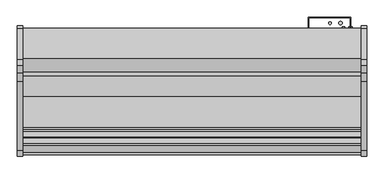
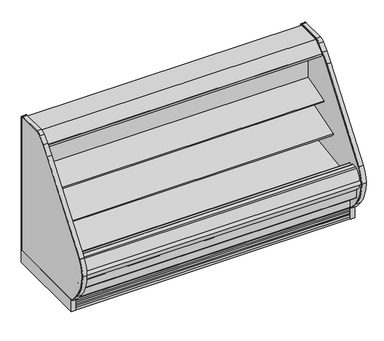
"""IFC4 building model written with IfcOpenShell, lengths in millimetres: proxy geometry."""

from ifc_helpers import new_model, si_unit, point, frame, frame_2d, origin, origin_with_axes, place, context, project, spatial, polyline, circle_curve, trimmed, segment, composite_curve, outline, extrude, source, transform, mapped, element, save
from ifc_brep_helpers import plane_surface, cylinder_surface, revolved_surface, advanced_brep


def mechanical_equipment_847d66b7(model_context):
    return source(origin(), model_context, "Body", "SolidModel", [
        extrude(outline(composite_curve([segment(polyline([(-514.5184043, 1280.7980838), (-504.8108903, 1283.7963787), (-504.5441858, 1282.9328752), (-503.4770145, 1282.9328752), (-503.4770145, 1189.1685435), (-528.7722287, 1185.6157473)]), True, "CONTINUOUS"), segment(trimmed(circle_curve(frame_2d((-528.9121117, 1187.1894225)), 1.57988), [point((-528.7722287, 1185.6157473))], [point((-530.4766164, 1186.9695457))], False, "CARTESIAN"), True, "CONTINUOUS"), segment(polyline([(-530.4766164, 1186.9695457), (-531.3614261, 1193.2652938), (-530.5766584, 1193.3755857), (-529.5822638, 1186.3001005), (-506.0015054, 1189.61416), (-520.0975442, 1289.912687), (-542.8581255, 1286.8903314)]), True, "CONTINUOUS"), segment(trimmed(circle_curve(frame_2d((-542.7544773, 1286.109783)), 0.7874), [point((-542.8581255, 1286.8903314))], [point((-543.5350257, 1286.0061347))], True, "CARTESIAN"), True, "CONTINUOUS"), segment(polyline([(-543.5350257, 1286.0061347), (-542.5119167, 1278.3013646), (-543.2924653, 1278.1977184), (-544.3155741, 1285.9024865)]), True, "CONTINUOUS"), segment(trimmed(circle_curve(frame_2d((-542.7544773, 1286.109783)), 1.5748), [point((-544.3155741, 1285.9024865))], [point((-542.9617738, 1287.6708798))], False, "CARTESIAN"), True, "CONTINUOUS"), segment(polyline([(-542.9617738, 1287.6708798), (-518.9973626, 1290.8530909)]), True, "CONTINUOUS"), segment(trimmed(circle_curve(frame_2d((-518.7900661, 1289.2919941)), 1.5748), [point((-518.9973626, 1290.8530909))], [point((-517.2854014, 1289.7567298))], False, "CARTESIAN"), True, "CONTINUOUS"), segment(polyline([(-517.2854014, 1289.7567298), (-514.5184043, 1280.7980838)]), True, "CONTINUOUS")], self_intersect=False)), frame((0.0, 0.0, 0.0), z_axis=(1.0, 0.0, 0.0), x_axis=(0.0, 1.0, 0.0)), (0.0, 0.0, 1.0), 2438.4),
        extrude(outline(polyline([(-401.5089273, 1362.075), (-401.5089273, 1315.6470648), (-452.3089273, 1315.6470648), (-452.3089273, 1282.9328752), (-504.5441858, 1282.9328752), (-506.6234348, 1289.6648143), (-511.417881, 1288.1839857), (-535.4879211, 1316.8695425), (-642.2562389, 1316.8695425), (-643.0944389, 1316.0313425), (-643.0944389, 1304.9061425), (-643.6525285, 1303.7273324), (-688.2903714, 1267.1513324), (-689.2562818, 1266.8061425), (-700.752905, 1266.8061425), (-700.752905, 1264.8743669), (-715.8669232, 1264.8743669), (-715.8669232, 1283.1433169), (-715.2737617, 1284.3869059), (-619.3369552, 1362.075), (-401.5089273, 1362.075)])), frame((0.0, 0.0, 0.0), z_axis=(1.0, 0.0, 0.0), x_axis=(0.0, 1.0, 0.0)), (0.0, 0.0, 1.0), 2438.4),
        extrude(outline(composite_curve([segment(polyline([(-506.0015054, 1189.61416), (-529.5822638, 1186.3001005), (-530.5766584, 1193.3755857), (-542.5070926, 1278.2650359), (-543.5350257, 1286.0061347)]), True, "CONTINUOUS"), segment(trimmed(circle_curve(frame_2d((-542.7544773, 1286.109783)), 0.7874), [point((-543.5350257, 1286.0061347))], [point((-542.8581255, 1286.8903314))], False, "CARTESIAN"), True, "CONTINUOUS"), segment(polyline([(-542.8581255, 1286.8903314), (-520.0975442, 1289.912687), (-506.0015054, 1189.61416)]), True, "CONTINUOUS")], self_intersect=False)), frame((0.0, 0.0, 0.0), z_axis=(1.0, 0.0, 0.0), x_axis=(0.0, 1.0, 0.0)), (0.0, 0.0, 1.0), 2438.4),
        extrude(outline(composite_curve([segment(trimmed(circle_curve(frame_2d((-586.8315353, 1290.8268376)), 14.2875), [point((-601.1190353, 1290.8268376))], [point((-572.5440353, 1290.8268376))], False, "CARTESIAN"), True, "CONTINUOUS"), segment(trimmed(circle_curve(frame_2d((-586.8315353, 1290.8268376)), 14.2875), [point((-572.5440353, 1290.8268376))], [point((-601.1190353, 1290.8268376))], False, "CARTESIAN"), True, "CONTINUOUS")], self_intersect=False)), frame((0.0, 0.0, 0.0), z_axis=(1.0, 0.0, 0.0), x_axis=(0.0, 1.0, 0.0)), (0.0, 0.0, 1.0), 2438.4),
        extrude(outline(composite_curve([segment(trimmed(circle_curve(frame_2d((-624.2203353, 1290.8268376)), 14.2875), [point((-638.5078353, 1290.8268376))], [point((-609.9328353, 1290.8268376))], False, "CARTESIAN"), True, "CONTINUOUS"), segment(trimmed(circle_curve(frame_2d((-624.2203353, 1290.8268376)), 14.2875), [point((-609.9328353, 1290.8268376))], [point((-638.5078353, 1290.8268376))], False, "CARTESIAN"), True, "CONTINUOUS")], self_intersect=False)), frame((0.0, 0.0, 0.0), z_axis=(1.0, 0.0, 0.0), x_axis=(0.0, 1.0, 0.0)), (0.0, 0.0, 1.0), 2438.4),
        extrude(outline(composite_curve([segment(polyline([(-1152.4160029, 116.4176483), (-1152.4160029, 109.8489673)]), True, "CONTINUOUS"), segment(trimmed(circle_curve(frame_2d((-1137.0029315, 171.45)), 63.5), [point((-1152.4160029, 109.8489673))], [point((-1185.6467537, 130.6329868))], False, "CARTESIAN"), True, "CONTINUOUS"), segment(polyline([(-1185.6467537, 130.6329868), (-1235.6359944, 190.2078441)]), True, "CONTINUOUS"), segment(trimmed(circle_curve(frame_2d((-941.4801647, 437.0338923)), 383.9931644), [point((-1235.6359944, 190.2078441))], [point((-1325.4388699, 431.8896718))], False, "CARTESIAN"), True, "CONTINUOUS"), segment(trimmed(circle_curve(frame_2d((-1076.0701893, 427.3006938)), 249.410901), [point((-1325.4388699, 431.8896718))], [point((-1281.6253076, 568.555396))], False, "CARTESIAN"), True, "CONTINUOUS"), segment(trimmed(circle_curve(frame_2d((-1267.5211401, 561.2160445)), 15.8994849), [point((-1281.6253076, 568.555396))], [point((-1280.2425143, 570.7533533))], False, "CARTESIAN"), True, "CONTINUOUS"), segment(polyline([(-1280.2425143, 570.7533533), (-784.9351025, 1231.4209529)]), True, "CONTINUOUS"), segment(trimmed(circle_curve(frame_2d((-245.5130426, 827.0122237)), 674.1828973), [point((-784.9351025, 1231.4209529))], [point((-722.232341, 1303.7315221))], False, "CARTESIAN"), True, "CONTINUOUS"), segment(polyline([(-722.232341, 1303.7315221), (-669.2351533, 1356.7287098)]), True, "CONTINUOUS"), segment(trimmed(circle_curve(frame_2d((-625.6675547, 1313.1611112)), 61.6138888), [point((-669.2351533, 1356.7287098))], [point((-625.6675547, 1374.775))], False, "CARTESIAN"), True, "CONTINUOUS"), segment(polyline([(-625.6675547, 1374.775), (-403.2506698, 1374.775)]), True, "CONTINUOUS"), segment(trimmed(circle_curve(frame_2d((-403.2506698, 1357.1582575)), 17.6167425), [point((-403.2506698, 1374.775))], [point((-385.6339273, 1357.1582575))], False, "CARTESIAN"), True, "CONTINUOUS"), segment(polyline([(-385.6339273, 1357.1582575), (-385.6339273, 114.3), (-391.9839273, 114.3), (-391.9839273, 1357.1582575)]), True, "CONTINUOUS"), segment(trimmed(circle_curve(frame_2d((-403.2506698, 1357.1582575)), 11.2667425), [point((-391.9839273, 1357.1582575))], [point((-403.2506698, 1368.425))], True, "CARTESIAN"), True, "CONTINUOUS"), segment(polyline([(-403.2506698, 1368.425), (-625.6675547, 1368.425)]), True, "CONTINUOUS"), segment(trimmed(circle_curve(frame_2d((-625.6675547, 1313.1611112)), 55.2638888), [point((-625.6675547, 1368.425))], [point((-664.7450253, 1352.2385817))], True, "CARTESIAN"), True, "CONTINUOUS"), segment(polyline([(-664.7450253, 1352.2385817), (-717.7422129, 1299.2413941)]), True, "CONTINUOUS"), segment(trimmed(circle_curve(frame_2d((-245.5130426, 827.0122237)), 667.8328973), [point((-717.7422129, 1299.2413941))], [point((-779.8543891, 1227.6119043))], True, "CARTESIAN"), True, "CONTINUOUS"), segment(polyline([(-779.8543891, 1227.6119043), (-1275.1618009, 566.9443047)]), True, "CONTINUOUS"), segment(trimmed(circle_curve(frame_2d((-1267.5211401, 561.2160445)), 9.5494849), [point((-1275.1618009, 566.9443047))], [point((-1276.1447735, 565.3179477))], True, "CARTESIAN"), True, "CONTINUOUS"), segment(trimmed(circle_curve(frame_2d((-1076.0701893, 427.3006938)), 243.060901), [point((-1276.1447735, 565.3179477))], [point((-1319.0880705, 431.8735543))], True, "CARTESIAN"), True, "CONTINUOUS"), segment(trimmed(circle_curve(frame_2d((-941.4801647, 437.0338923)), 377.6431644), [point((-1319.0880705, 431.8735543))], [point((-1230.7716122, 194.2895454))], True, "CARTESIAN"), True, "CONTINUOUS"), segment(polyline([(-1230.7716122, 194.2895454), (-1180.7823715, 134.7146881)]), True, "CONTINUOUS"), segment(trimmed(circle_curve(frame_2d((-1137.0029315, 171.45)), 57.15), [point((-1180.7823715, 134.7146881))], [point((-1152.4160029, 116.4176483))], True, "CARTESIAN"), True, "CONTINUOUS")], self_intersect=False)), frame((2438.4, 0.0, 0.0), z_axis=(1.0, 0.0, 0.0), x_axis=(0.0, 1.0, 0.0)), (0.0, 0.0, 1.0), 38.1),
        extrude(outline(composite_curve([segment(trimmed(circle_curve(frame_2d((-1137.0029315, 171.45)), 57.15), [point((-1152.4160029, 116.4176483))], [point((-1180.7823715, 134.7146881))], False, "CARTESIAN"), True, "CONTINUOUS"), segment(polyline([(-1180.7823715, 134.7146881), (-1230.7716122, 194.2895454)]), True, "CONTINUOUS"), segment(trimmed(circle_curve(frame_2d((-941.4801647, 437.0338923)), 377.6431644), [point((-1230.7716122, 194.2895454))], [point((-1319.0880705, 431.8735543))], False, "CARTESIAN"), True, "CONTINUOUS"), segment(trimmed(circle_curve(frame_2d((-1076.0701893, 427.3006938)), 243.060901), [point((-1319.0880705, 431.8735543))], [point((-1270.5462172, 573.1008179))], False, "CARTESIAN"), True, "CONTINUOUS"), segment(polyline([(-1270.5462172, 573.1008179), (-779.8543891, 1227.6119043)]), True, "CONTINUOUS"), segment(trimmed(circle_curve(frame_2d((-245.5130426, 827.0122237)), 667.8328973), [point((-779.8543891, 1227.6119043))], [point((-717.7422129, 1299.2413941))], False, "CARTESIAN"), True, "CONTINUOUS"), segment(polyline([(-717.7422129, 1299.2413941), (-664.7450253, 1352.2385817)]), True, "CONTINUOUS"), segment(trimmed(circle_curve(frame_2d((-625.6675547, 1313.1611112)), 55.2638888), [point((-664.7450253, 1352.2385817))], [point((-625.6675547, 1368.425))], False, "CARTESIAN"), True, "CONTINUOUS"), segment(polyline([(-625.6675547, 1368.425), (-403.2506698, 1368.425)]), True, "CONTINUOUS"), segment(trimmed(circle_curve(frame_2d((-403.2506698, 1357.1582575)), 11.2667425), [point((-403.2506698, 1368.425))], [point((-391.9839273, 1357.1582575))], False, "CARTESIAN"), True, "CONTINUOUS"), segment(polyline([(-391.9839273, 1357.1582575), (-391.9839273, 114.3), (-1152.4160029, 114.3), (-1152.4160029, 116.4176483)]), True, "CONTINUOUS")], self_intersect=False)), frame((2438.4, 0.0, 0.0), z_axis=(1.0, 0.0, 0.0), x_axis=(0.0, 1.0, 0.0)), (0.0, 0.0, 1.0), 38.1),
        extrude(outline(polyline([(2476.5, -385.6339273), (2476.5, -1152.4160029), (2438.4, -1152.4160029), (2438.4, -385.6339273), (2476.5, -385.6339273)])), origin_with_axes(), (0.0, 0.0, 1.0), 114.3),
        extrude(outline(composite_curve([segment(trimmed(circle_curve(frame_2d((-1295.6519401, 432.0003811)), 17.0866011), [point((-1296.4879309, 414.9342433))], [point((-1296.7411816, 449.0522282))], False, "CARTESIAN"), True, "CONTINUOUS"), segment(trimmed(circle_curve(frame_2d((-1124.8312387, 403.6702581)), 177.7991891), [point((-1296.7411816, 449.0522282))], [point((-1298.0862131, 443.6110334))], True, "CARTESIAN"), True, "CONTINUOUS"), segment(trimmed(circle_curve(frame_2d((-1171.2742697, 436.2958797)), 127.0227557), [point((-1298.0862131, 443.6110334))], [point((-1296.4879309, 414.9342433))], True, "CARTESIAN"), True, "CONTINUOUS")], self_intersect=False)), frame((0.0, 0.0, 0.0), z_axis=(1.0, 0.0, 0.0), x_axis=(0.0, 1.0, 0.0)), (0.0, 0.0, 1.0), 2438.4),
        extrude(outline(composite_curve([segment(trimmed(circle_curve(frame_2d((2278.6362287, -1007.9339273)), 12.7), [point((2265.9362287, -1007.9339273))], [point((2291.3362287, -1007.9339273))], False, "CARTESIAN"), True, "CONTINUOUS"), segment(trimmed(circle_curve(frame_2d((2278.6362287, -1007.9339273)), 12.7), [point((2291.3362287, -1007.9339273))], [point((2265.9362287, -1007.9339273))], False, "CARTESIAN"), True, "CONTINUOUS")], self_intersect=False)), frame((0.0, 0.0, 68.5310382), z_axis=(0.0, 0.0, 1.0), x_axis=(1.0, 0.0, 0.0)), (0.0, 0.0, 1.0), 52.7807458),
        extrude(outline(composite_curve([segment(trimmed(circle_curve(frame_2d((2228.43831, -1007.9339273)), 9.525), [point((2218.91331, -1007.9339273))], [point((2237.96331, -1007.9339273))], False, "CARTESIAN"), True, "CONTINUOUS"), segment(trimmed(circle_curve(frame_2d((2228.43831, -1007.9339273)), 9.525), [point((2237.96331, -1007.9339273))], [point((2218.91331, -1007.9339273))], False, "CARTESIAN"), True, "CONTINUOUS")], self_intersect=False)), frame((0.0, 0.0, 68.5310382), z_axis=(0.0, 0.0, 1.0), x_axis=(1.0, 0.0, 0.0)), (0.0, 0.0, 1.0), 52.7807458),
        extrude(outline(polyline([(0.0, -385.6339273), (0.0, -1152.4160029), (-38.1, -1152.4160029), (-38.1, -385.6339273), (0.0, -385.6339273)])), origin_with_axes(), (0.0, 0.0, 1.0), 114.3),
        extrude(outline(composite_curve([segment(polyline([(-1152.4160029, 116.4176483), (-1152.4160029, 109.8489673)]), True, "CONTINUOUS"), segment(trimmed(circle_curve(frame_2d((-1137.0029315, 171.45)), 63.5), [point((-1152.4160029, 109.8489673))], [point((-1185.6467537, 130.6329868))], False, "CARTESIAN"), True, "CONTINUOUS"), segment(polyline([(-1185.6467537, 130.6329868), (-1235.6359944, 190.2078441)]), True, "CONTINUOUS"), segment(trimmed(circle_curve(frame_2d((-941.4801647, 437.0338923)), 383.9931644), [point((-1235.6359944, 190.2078441))], [point((-1325.4388699, 431.8896718))], False, "CARTESIAN"), True, "CONTINUOUS"), segment(trimmed(circle_curve(frame_2d((-1076.0701893, 427.3006938)), 249.410901), [point((-1325.4388699, 431.8896718))], [point((-1281.6253076, 568.555396))], False, "CARTESIAN"), True, "CONTINUOUS"), segment(trimmed(circle_curve(frame_2d((-1267.5211401, 561.2160445)), 15.8994849), [point((-1281.6253076, 568.555396))], [point((-1280.2425143, 570.7533533))], False, "CARTESIAN"), True, "CONTINUOUS"), segment(polyline([(-1280.2425143, 570.7533533), (-784.9351025, 1231.4209529)]), True, "CONTINUOUS"), segment(trimmed(circle_curve(frame_2d((-245.5130426, 827.0122237)), 674.1828973), [point((-784.9351025, 1231.4209529))], [point((-722.232341, 1303.7315221))], False, "CARTESIAN"), True, "CONTINUOUS"), segment(polyline([(-722.232341, 1303.7315221), (-669.2351533, 1356.7287098)]), True, "CONTINUOUS"), segment(trimmed(circle_curve(frame_2d((-625.6675547, 1313.1611112)), 61.6138888), [point((-669.2351533, 1356.7287098))], [point((-625.6675547, 1374.775))], False, "CARTESIAN"), True, "CONTINUOUS"), segment(polyline([(-625.6675547, 1374.775), (-403.2506698, 1374.775)]), True, "CONTINUOUS"), segment(trimmed(circle_curve(frame_2d((-403.2506698, 1357.1582575)), 17.6167425), [point((-403.2506698, 1374.775))], [point((-385.6339273, 1357.1582575))], False, "CARTESIAN"), True, "CONTINUOUS"), segment(polyline([(-385.6339273, 1357.1582575), (-385.6339273, 114.3), (-391.9839273, 114.3), (-391.9839273, 1357.1582575)]), True, "CONTINUOUS"), segment(trimmed(circle_curve(frame_2d((-403.2506698, 1357.1582575)), 11.2667425), [point((-391.9839273, 1357.1582575))], [point((-403.2506698, 1368.425))], True, "CARTESIAN"), True, "CONTINUOUS"), segment(polyline([(-403.2506698, 1368.425), (-625.6675547, 1368.425)]), True, "CONTINUOUS"), segment(trimmed(circle_curve(frame_2d((-625.6675547, 1313.1611112)), 55.2638888), [point((-625.6675547, 1368.425))], [point((-664.7450253, 1352.2385817))], True, "CARTESIAN"), True, "CONTINUOUS"), segment(polyline([(-664.7450253, 1352.2385817), (-717.7422129, 1299.2413941)]), True, "CONTINUOUS"), segment(trimmed(circle_curve(frame_2d((-245.5130426, 827.0122237)), 667.8328973), [point((-717.7422129, 1299.2413941))], [point((-779.8543891, 1227.6119043))], True, "CARTESIAN"), True, "CONTINUOUS"), segment(polyline([(-779.8543891, 1227.6119043), (-1270.5462172, 573.1008179)]), True, "CONTINUOUS"), segment(trimmed(circle_curve(frame_2d((-1076.0701893, 427.3006938)), 243.060901), [point((-1270.5462172, 573.1008179))], [point((-1319.0880705, 431.8735543))], True, "CARTESIAN"), True, "CONTINUOUS"), segment(trimmed(circle_curve(frame_2d((-941.4801647, 437.0338923)), 377.6431644), [point((-1319.0880705, 431.8735543))], [point((-1230.7716122, 194.2895454))], True, "CARTESIAN"), True, "CONTINUOUS"), segment(polyline([(-1230.7716122, 194.2895454), (-1180.7823715, 134.7146881)]), True, "CONTINUOUS"), segment(trimmed(circle_curve(frame_2d((-1137.0029315, 171.45)), 57.15), [point((-1180.7823715, 134.7146881))], [point((-1152.4160029, 116.4176483))], True, "CARTESIAN"), True, "CONTINUOUS")], self_intersect=False)), frame((-38.1, 0.0, 0.0), z_axis=(1.0, 0.0, 0.0), x_axis=(0.0, 1.0, 0.0)), (0.0, 0.0, 1.0), 38.1),
        extrude(outline(composite_curve([segment(trimmed(circle_curve(frame_2d((-1137.0029315, 171.45)), 57.15), [point((-1152.4160029, 116.4176483))], [point((-1180.7823715, 134.7146881))], False, "CARTESIAN"), True, "CONTINUOUS"), segment(polyline([(-1180.7823715, 134.7146881), (-1230.7716122, 194.2895454)]), True, "CONTINUOUS"), segment(trimmed(circle_curve(frame_2d((-941.4801647, 437.0338923)), 377.6431644), [point((-1230.7716122, 194.2895454))], [point((-1319.0880705, 431.8735543))], False, "CARTESIAN"), True, "CONTINUOUS"), segment(trimmed(circle_curve(frame_2d((-1076.0701893, 427.3006938)), 243.060901), [point((-1319.0880705, 431.8735543))], [point((-1270.5462172, 573.1008179))], False, "CARTESIAN"), True, "CONTINUOUS"), segment(polyline([(-1270.5462172, 573.1008179), (-779.8543891, 1227.6119043)]), True, "CONTINUOUS"), segment(trimmed(circle_curve(frame_2d((-245.5130426, 827.0122237)), 667.8328973), [point((-779.8543891, 1227.6119043))], [point((-717.7422129, 1299.2413941))], False, "CARTESIAN"), True, "CONTINUOUS"), segment(polyline([(-717.7422129, 1299.2413941), (-664.7450253, 1352.2385817)]), True, "CONTINUOUS"), segment(trimmed(circle_curve(frame_2d((-625.6675547, 1313.1611112)), 55.2638888), [point((-664.7450253, 1352.2385817))], [point((-625.6675547, 1368.425))], False, "CARTESIAN"), True, "CONTINUOUS"), segment(polyline([(-625.6675547, 1368.425), (-403.2506698, 1368.425)]), True, "CONTINUOUS"), segment(trimmed(circle_curve(frame_2d((-403.2506698, 1357.1582575)), 11.2667425), [point((-403.2506698, 1368.425))], [point((-391.9839273, 1357.1582575))], False, "CARTESIAN"), True, "CONTINUOUS"), segment(polyline([(-391.9839273, 1357.1582575), (-391.9839273, 114.3), (-1152.4160029, 114.3), (-1152.4160029, 116.4176483)]), True, "CONTINUOUS")], self_intersect=False)), frame((-38.1, 0.0, 0.0), z_axis=(1.0, 0.0, 0.0), x_axis=(0.0, 1.0, 0.0)), (0.0, 0.0, 1.0), 38.1),
        extrude(outline(polyline([(2359.025, -401.5089273), (2359.025, -328.4839273), (2060.575, -328.4839273), (2060.575, -401.5089273), (2057.4, -401.5089273), (2057.4, -325.3089273), (2362.2, -325.3089273), (2362.2, -401.5089273), (2359.025, -401.5089273)])), frame((0.0, 0.0, 522.6122796), z_axis=(0.0, 0.0, 1.0), x_axis=(1.0, 0.0, 0.0)), (0.0, 0.0, 1.0), 710.3489092),
        advanced_brep(
        [(0.0, -401.5089273, 1315.6470648), (0.0, -401.5089273, 130.175), (0.0, -1092.9329421, 130.175), (0.0, -1242.6779256, 255.8259604), (0.0, -1242.6779256, 390.4771975), (0.0, -1191.6695874, 390.4771975), (0.0, -1191.6695874, 280.6965658), (0.0, -1081.6882807, 188.4112919), (0.0, -1075.5167374, 188.6268069), (0.0, -1036.8125365, 160.6272219), (0.0, -1035.5745571, 160.670453), (0.0, -1022.2030531, 151.6562137), (0.0, -961.9148015, 153.7615258), (0.0, -949.2046713, 163.6865559), (0.0, -947.966692, 163.7297871), (0.0, -911.2586215, 194.4039054), (0.0, -452.3089273, 210.4307819), (0.0, -452.3089273, 1315.6470648), (2438.4, -401.5089273, 1315.6470648), (2438.4, -452.3089273, 1315.6470648), (2438.4, -452.3089273, 210.4307819), (2438.4, -911.2586215, 194.4039054), (2438.4, -947.966692, 163.7297871), (2438.4, -949.2046713, 163.6865559), (2438.4, -961.9148015, 153.7615258), (2438.4, -1022.2030531, 151.6562137), (2438.4, -1035.5745571, 160.670453), (2438.4, -1036.8125365, 160.6272219), (2438.4, -1075.5167374, 188.6268069), (2438.4, -1081.6882807, 188.4112919), (2438.4, -1191.6695874, 280.6965658), (2438.4, -1191.6695874, 390.4771975), (2438.4, -1242.6779256, 390.4771975), (2438.4, -1242.6779256, 255.8259604), (2438.4, -1092.9329421, 130.175), (2438.4, -401.5089273, 130.175), (2336.8, -401.5089273, 368.3), (2336.8, -401.5089273, 266.7), (2336.8, -446.7209273, 266.7), (2336.8, -446.7209273, 368.3)],
        [
            (0, 1),
            (1, 2),
            (2, 3),
            (3, 4),
            (4, 5),
            (5, 6),
            (6, 7),
            (7, 8),
            (8, 9),
            (9, 10),
            (10, 11),
            (11, 12),
            (12, 13),
            (13, 14),
            (14, 15),
            (15, 16),
            (16, 17),
            (17, 0),
            (18, 19),
            (19, 20),
            (20, 21),
            (21, 22),
            (22, 23),
            (23, 24),
            (24, 25),
            (25, 26),
            (26, 27),
            (27, 28),
            (28, 29),
            (29, 30),
            (30, 31),
            (31, 32),
            (32, 33),
            (33, 34),
            (34, 35),
            (35, 18),
            (17, 19),
            (18, 0),
            (16, 20),
            (1, 35),
            (34, 2),
            (36, 37, circle_curve(frame((2336.8, -401.5089273, 317.5), z_axis=(0.0, -1.0, 0.0), x_axis=(0.0, 0.0, 1.0)), 50.8)),
            (37, 36, circle_curve(frame((2336.8, -401.5089273, 317.5), z_axis=(0.0, -1.0, 0.0), x_axis=(0.0, 0.0, 1.0)), 50.8)),
            (38, 39, circle_curve(frame((2336.8, -446.7209273, 317.5), z_axis=(0.0, 1.0, 0.0), x_axis=(0.0, 0.0, 1.0)), 50.8)),
            (39, 38, circle_curve(frame((2336.8, -446.7209273, 317.5), z_axis=(0.0, 1.0, 0.0), x_axis=(0.0, 0.0, 1.0)), 50.8)),
            (38, 37),
            (36, 39),
            (15, 21),
            (14, 22),
            (13, 23),
            (12, 24),
            (11, 25),
            (10, 26),
            (9, 27),
            (8, 28),
            (7, 29),
            (6, 30),
            (5, 31),
            (4, 32),
            (3, 33),
        ],
        [
            plane_surface(frame((0.0, -452.3089273, 1315.6470648), z_axis=(-1.0, 0.0, 0.0), x_axis=(0.0, 1.0, 0.0))),
            plane_surface(frame((2438.4, -452.3089273, 1315.6470648), z_axis=(1.0, 0.0, 0.0), x_axis=(0.0, -1.0, 0.0))),
            plane_surface(frame((2438.4, -401.5089273, 1315.6470648), z_axis=(0.0, 0.0, 1.0), x_axis=(-1.0, 0.0, 0.0))),
            plane_surface(frame((2438.4, -452.3089273, 1315.6470648), z_axis=(0.0, -1.0, 0.0), x_axis=(-1.0, 0.0, 0.0))),
            plane_surface(frame((2438.4, -1092.9329421, 130.175), z_axis=(0.0, 0.0, -1.0), x_axis=(-1.0, 0.0, 0.0))),
            plane_surface(frame((2438.4, -401.5089273, 130.175), z_axis=(0.0, 1.0, 0.0), x_axis=(-1.0, 0.0, 0.0))),
            plane_surface(frame((2336.8, -446.7209273, 368.3), z_axis=(0.0, 1.0, 0.0), x_axis=(-1.0, 0.0, 0.0))),
            revolved_surface(polyline([(2336.8, -401.5089273, 368.3), (2336.8, -446.7209273, 368.3)]), (2336.8, -446.7209273, 317.5), (0.0, 1.0, 0.0)),
            plane_surface(frame((2438.4, -452.3089273, 210.4307819), z_axis=(0.0, -0.034899496702464096, 0.9993908270190971), x_axis=(-1.0, 0.0, 0.0))),
            plane_surface(frame((2438.4, -911.2586215, 194.4039054), z_axis=(0.0, -0.6412208566386186, 0.7673563794037528), x_axis=(-1.0, 0.0, 0.0))),
            plane_surface(frame((2438.4, -947.966692, 163.7297871), z_axis=(0.0, -0.03489949670032392, 0.9993908270191718), x_axis=(-1.0, 0.0, 0.0))),
            plane_surface(frame((2438.4, -949.2046713, 163.6865559), z_axis=(0.0, -0.6154607629252682, 0.7881675261639793), x_axis=(-1.0, 0.0, 0.0))),
            plane_surface(frame((2438.4, -961.9148015, 153.7615258), z_axis=(0.0, -0.03489949670245096, 0.9993908270190975), x_axis=(-1.0, 0.0, 0.0))),
            plane_surface(frame((2438.4, -1022.2030531, 151.6562137), z_axis=(0.0, 0.5589817440968015, 0.8291799622316606), x_axis=(-1.0, 0.0, 0.0))),
            plane_surface(frame((2438.4, -1035.5745571, 160.670453), z_axis=(0.0, -0.03489949670146529, 0.999390827019132), x_axis=(-1.0, 0.0, 0.0))),
            plane_surface(frame((2438.4, -1036.8125365, 160.6272219), z_axis=(0.0, 0.5861307997256017, 0.810216443682197), x_axis=(-1.0, 0.0, 0.0))),
            plane_surface(frame((2438.4, -1075.5167374, 188.6268069), z_axis=(0.0, -0.034899496703538944, 0.9993908270190596), x_axis=(-1.0, 0.0, 0.0))),
            plane_surface(frame((2438.4, -1081.6882807, 188.4112919), z_axis=(0.0, 0.6427876096870883, 0.7660444431185175), x_axis=(-1.0, 0.0, 0.0))),
            plane_surface(frame((2438.4, -1191.6695874, 280.6965658), z_axis=(0.0, 1.0, 0.0), x_axis=(-1.0, 0.0, 0.0))),
            plane_surface(frame((2438.4, -1191.6695874, 390.4771975), z_axis=(0.0, 0.0, 1.0), x_axis=(-1.0, 0.0, 0.0))),
            plane_surface(frame((2438.4, -1242.6779256, 390.4771975), z_axis=(0.0, -1.0, 0.0), x_axis=(-1.0, 0.0, 0.0))),
            plane_surface(frame((2438.4, -1242.6779256, 255.8259604), z_axis=(0.0, -0.6427876096870784, -0.7660444431185257), x_axis=(-1.0, 0.0, 0.0))),
        ],
        [
            (0, [[1, 2, 3, 4, 5, 6, 7, 8, 9, 10, 11, 12, 13, 14, 15, 16, 17, 18]]),
            (1, [[19, 20, 21, 22, 23, 24, 25, 26, 27, 28, 29, 30, 31, 32, 33, 34, 35, 36]]),
            (2, [[-18, 37, -19, 38]]),
            (3, [[-17, 39, -20, -37]]),
            (4, [[-2, 40, -35, 41]]),
            (5, [[-1, -38, -36, -40], [42, 43]]),
            (6, [[44, 45]]),
            (7, [[-44, 46, -42, 47]]),
            (7, [[-45, -47, -43, -46]]),
            (8, [[-16, 48, -21, -39]]),
            (9, [[-15, 49, -22, -48]]),
            (10, [[-14, 50, -23, -49]]),
            (11, [[-13, 51, -24, -50]]),
            (12, [[-12, 52, -25, -51]]),
            (13, [[-11, 53, -26, -52]]),
            (14, [[-10, 54, -27, -53]]),
            (15, [[-9, 55, -28, -54]]),
            (16, [[-8, 56, -29, -55]]),
            (17, [[-7, 57, -30, -56]]),
            (18, [[-6, 58, -31, -57]]),
            (19, [[-5, 59, -32, -58]]),
            (20, [[-4, 60, -33, -59]]),
            (21, [[-3, -41, -34, -60]]),
        ],
    ),
        extrude(outline(composite_curve([segment(polyline([(-503.4770145, 937.5443045), (-503.4770145, 859.0243135), (-520.8520366, 853.3874898)]), True, "CONTINUOUS"), segment(trimmed(circle_curve(frame_2d((-528.6901714, 877.5478632)), 25.4), [point((-520.8520366, 853.3874898))], [point((-538.1963728, 853.9938373))], False, "CARTESIAN"), True, "CONTINUOUS"), segment(polyline([(-538.1963728, 853.9938373), (-559.4917706, 862.5884758)]), True, "CONTINUOUS"), segment(trimmed(circle_curve(frame_2d((-583.257274, 803.7034111)), 63.5), [point((-559.4917706, 862.5884758))], [point((-594.1259367, 866.2663568))], True, "CARTESIAN"), True, "CONTINUOUS"), segment(polyline([(-594.1259367, 866.2663568), (-683.313755, 863.7788055), (-685.7433991, 866.6337458), (-742.2197274, 849.3671994), (-746.4657163, 863.2552031), (-503.4770145, 937.5443045)]), True, "CONTINUOUS")], self_intersect=False)), frame((0.0, 0.0, 0.0), z_axis=(1.0, 0.0, 0.0), x_axis=(0.0, 1.0, 0.0)), (0.0, 0.0, 1.0), 2438.4),
        extrude(outline(composite_curve([segment(polyline([(-503.4770145, 681.5615222), (-521.9044919, 675.5832597)]), True, "CONTINUOUS"), segment(trimmed(circle_curve(frame_2d((-528.6901714, 700.0600764)), 25.4), [point((-521.9044919, 675.5832597))], [point((-538.1963728, 676.5060505))], False, "CARTESIAN"), True, "CONTINUOUS"), segment(polyline([(-538.1963728, 676.5060505), (-559.4917706, 685.1006891)]), True, "CONTINUOUS"), segment(trimmed(circle_curve(frame_2d((-583.257274, 626.2156243)), 63.5), [point((-559.4917706, 685.1006891))], [point((-594.1259367, 688.77857))], True, "CARTESIAN"), True, "CONTINUOUS"), segment(polyline([(-594.1259367, 688.77857), (-829.0545998, 641.733571), (-831.4842439, 644.5885112), (-887.9605722, 627.3219649), (-892.1192674, 640.9244437), (-503.4770145, 759.7443045), (-503.4770145, 681.5615222)]), True, "CONTINUOUS")], self_intersect=False)), frame((0.0, 0.0, 0.0), z_axis=(1.0, 0.0, 0.0), x_axis=(0.0, 1.0, 0.0)), (0.0, 0.0, 1.0), 2438.4),
        extrude(outline(composite_curve([segment(polyline([(-1234.580957, 539.75), (-1192.162957, 539.75)]), True, "CONTINUOUS"), segment(trimmed(circle_curve(frame_2d((-1192.162957, 536.575)), 3.175), [point((-1192.162957, 539.75))], [point((-1188.987957, 536.575))], False, "CARTESIAN"), True, "CONTINUOUS"), segment(polyline([(-1188.987957, 536.575), (-1188.987957, 522.6122796), (-1191.6695874, 522.6122796), (-1191.6695874, 390.4771975), (-1244.2904909, 390.4771975), (-1244.2904909, 349.7062579), (-1261.7638107, 349.7062579)]), True, "CONTINUOUS"), segment(trimmed(circle_curve(frame_2d((-1261.7638107, 355.8622108)), 6.1559529), [point((-1261.7638107, 349.7062579))], [point((-1266.343409, 351.7484491))], False, "CARTESIAN"), True, "CONTINUOUS"), segment(trimmed(circle_curve(frame_2d((-1171.176313, 436.1498983)), 127.2021258), [point((-1266.343409, 351.7484491))], [point((-1298.1692965, 443.441191))], False, "CARTESIAN"), True, "CONTINUOUS"), segment(trimmed(circle_curve(frame_2d((-1124.5594453, 405.0685499)), 177.8), [point((-1298.1692965, 443.441191))], [point((-1245.3673798, 535.5226912))], False, "CARTESIAN"), True, "CONTINUOUS"), segment(trimmed(circle_curve(frame_2d((-1234.580957, 523.875)), 15.875), [point((-1245.3673798, 535.5226912))], [point((-1234.580957, 539.75))], False, "CARTESIAN"), True, "CONTINUOUS")], self_intersect=False)), frame((0.0, 0.0, 0.0), z_axis=(1.0, 0.0, 0.0), x_axis=(0.0, 1.0, 0.0)), (0.0, 0.0, 1.0), 2438.4),
        extrude(outline(composite_curve([segment(polyline([(-1117.0624519, 150.4220627), (-1117.0624519, 0.0), (-1148.0584493, 0.0), (-1148.0584493, 21.591952)]), True, "CONTINUOUS"), segment(trimmed(circle_curve(frame_2d((-1147.5226258, 35.2873287)), 13.7058546), [point((-1148.0584493, 21.591952))], [point((-1134.4406464, 31.1992648))], True, "CARTESIAN"), True, "CONTINUOUS"), segment(polyline([(-1134.4406464, 31.1992648), (-1131.6258599, 40.2067021), (-1143.5826446, 40.2067021), (-1143.5826446, 52.9067021)]), True, "CONTINUOUS"), segment(trimmed(circle_curve(frame_2d((-1148.0005124, 66.4088493)), 14.2065314), [point((-1143.5826446, 52.9067021))], [point((-1134.4406464, 62.1714479))], True, "CARTESIAN"), True, "CONTINUOUS"), segment(polyline([(-1134.4406464, 62.1714479), (-1131.6258599, 71.1788852), (-1143.5826446, 71.1788852), (-1143.5826446, 83.8788852)]), True, "CONTINUOUS"), segment(trimmed(circle_curve(frame_2d((-1148.0728877, 97.4524489)), 14.2969897), [point((-1143.5826446, 83.8788852))], [point((-1134.4406464, 93.143631))], True, "CARTESIAN"), True, "CONTINUOUS"), segment(polyline([(-1134.4406464, 93.143631), (-1130.9515493, 104.1824391), (-1130.9515493, 107.8329403), (-1143.8191893, 107.8329403), (-1143.8191893, 172.8736313), (-1117.0624519, 150.4220627)]), True, "CONTINUOUS")], self_intersect=False)), frame((0.0, 0.0, 0.0), z_axis=(1.0, 0.0, 0.0), x_axis=(0.0, 1.0, 0.0)), (0.0, 0.0, 1.0), 2438.4),
        extrude(outline(composite_curve([segment(trimmed(circle_curve(frame_2d((2212.975, -366.5839273)), 9.525), [point((2203.45, -366.5839273))], [point((2222.5, -366.5839273))], False, "CARTESIAN"), True, "CONTINUOUS"), segment(trimmed(circle_curve(frame_2d((2212.975, -366.5839273)), 9.525), [point((2222.5, -366.5839273))], [point((2203.45, -366.5839273))], False, "CARTESIAN"), True, "CONTINUOUS")], self_intersect=False)), frame((0.0, 0.0, 1070.4944621), z_axis=(0.0, 0.0, 1.0), x_axis=(1.0, 0.0, 0.0)), (0.0, 0.0, 1.0), 186.3418705),
        extrude(outline(composite_curve([segment(trimmed(circle_curve(frame_2d((2289.175, -366.5839273)), 12.7), [point((2276.475, -366.5839273))], [point((2301.875, -366.5839273))], False, "CARTESIAN"), True, "CONTINUOUS"), segment(trimmed(circle_curve(frame_2d((2289.175, -366.5839273)), 12.7), [point((2301.875, -366.5839273))], [point((2276.475, -366.5839273))], False, "CARTESIAN"), True, "CONTINUOUS")], self_intersect=False)), frame((0.0, 0.0, 1070.4944621), z_axis=(0.0, 0.0, 1.0), x_axis=(1.0, 0.0, 0.0)), (0.0, 0.0, 1.0), 186.3418705),
        extrude(outline(composite_curve([segment(trimmed(circle_curve(frame_2d((317.5, 2362.2)), 12.7), [point((317.5, 2374.9))], [point((317.5, 2349.5))], False, "CARTESIAN"), True, "CONTINUOUS"), segment(trimmed(circle_curve(frame_2d((317.5, 2362.2)), 12.7), [point((317.5, 2349.5))], [point((317.5, 2374.9))], False, "CARTESIAN"), True, "CONTINUOUS")], self_intersect=False)), frame((0.0, -446.7209273, 0.0), z_axis=(0.0, 1.0, 0.0), x_axis=(0.0, 0.0, 1.0)), (0.0, 0.0, 1.0), 52.8518438),
        extrude(outline(composite_curve([segment(trimmed(circle_curve(frame_2d((317.5, 2311.4)), 9.525), [point((317.5, 2320.925))], [point((317.5, 2301.875))], False, "CARTESIAN"), True, "CONTINUOUS"), segment(trimmed(circle_curve(frame_2d((317.5, 2311.4)), 9.525), [point((317.5, 2301.875))], [point((317.5, 2320.925))], False, "CARTESIAN"), True, "CONTINUOUS")], self_intersect=False)), frame((0.0, -446.7209273, 0.0), z_axis=(0.0, 1.0, 0.0), x_axis=(0.0, 0.0, 1.0)), (0.0, 0.0, 1.0), 52.8518438),
        extrude(outline(composite_curve([segment(trimmed(circle_curve(frame_2d((1219.2, -988.8839273)), 38.1), [point((1181.1, -988.8839273))], [point((1257.3, -988.8839273))], False, "CARTESIAN"), True, "CONTINUOUS"), segment(trimmed(circle_curve(frame_2d((1219.2, -988.8839273)), 38.1), [point((1257.3, -988.8839273))], [point((1181.1, -988.8839273))], False, "CARTESIAN"), True, "CONTINUOUS")], self_intersect=False)), frame((0.0, 0.0, 68.5310382), z_axis=(0.0, 0.0, 1.0), x_axis=(1.0, 0.0, 0.0)), (0.0, 0.0, 1.0), 52.7807458),
        advanced_brep(
        [(0.0, -1018.0355073, 16.9113003), (0.0, -1117.0624519, 16.9113003), (0.0, -1117.0624519, 150.4220627), (0.0, -1092.9329421, 130.175), (0.0, -1018.0355073, 130.175), (2438.4, -1018.0355073, 16.9113003), (2438.4, -1018.0355073, 130.175), (2438.4, -1092.9329421, 130.175), (2438.4, -1117.0624519, 150.4220627), (2438.4, -1117.0624519, 16.9113003), (2307.2105208, -1018.0355073, 16.9113003), (2307.2105208, -1018.0355073, 121.311784), (2207.6394792, -1018.0355073, 121.311784), (2207.6394792, -1018.0355073, 16.9113003), (1260.8031896, -1018.0355073, 16.9113003), (1260.8031896, -1018.0355073, 121.311784), (1177.5968104, -1018.0355073, 121.311784), (1177.5968104, -1018.0355073, 16.9113003)],
        [
            (0, 1),
            (1, 2),
            (2, 3),
            (3, 4),
            (4, 0),
            (5, 6),
            (6, 7),
            (7, 8),
            (8, 9),
            (9, 5),
            (4, 6),
            (5, 10),
            (10, 11),
            (11, 12),
            (12, 13),
            (13, 14),
            (14, 15),
            (15, 16),
            (16, 17),
            (17, 0),
            (3, 7),
            (17, 14, circle_curve(frame((1219.2, -988.8839273, 16.9113003), z_axis=(0.0, 0.0, 1.0), x_axis=(1.0, 0.0, 0.0)), 50.8)),
            (13, 10, circle_curve(frame((2257.425, -1007.9339273, 16.9113003), z_axis=(0.0, 0.0, 1.0), x_axis=(1.0, 0.0, 0.0)), 50.8)),
            (9, 1),
            (15, 16, circle_curve(frame((1219.2, -988.8839273, 121.311784), z_axis=(0.0, 0.0, -1.0), x_axis=(1.0, 0.0, 0.0)), 50.8)),
            (8, 2),
            (11, 12, circle_curve(frame((2257.425, -1007.9339273, 121.311784), z_axis=(0.0, 0.0, -1.0), x_axis=(1.0, 0.0, 0.0)), 50.8)),
        ],
        [
            plane_surface(frame((0.0, -1018.0355073, 130.175), z_axis=(-1.0, 0.0, 0.0), x_axis=(0.0, 0.0, -1.0))),
            plane_surface(frame((2438.4, -1018.0355073, 130.175), z_axis=(1.0, 0.0, 0.0), x_axis=(0.0, 0.0, 1.0))),
            plane_surface(frame((2438.4, -1018.0355073, 16.9113003), z_axis=(0.0, 1.0, 0.0), x_axis=(-1.0, 0.0, 0.0))),
            plane_surface(frame((2438.4, -1018.0355073, 130.175), z_axis=(0.0, 0.0, 1.0), x_axis=(-1.0, 0.0, 0.0))),
            plane_surface(frame((2438.4, -1117.0624519, 16.9113003), z_axis=(0.0, 0.0, -1.0), x_axis=(-1.0, 0.0, 0.0))),
            plane_surface(frame((1270.0, -988.8839273, 121.311784), z_axis=(0.0, 0.0, -1.0), x_axis=(0.0, 1.0, 0.0))),
            revolved_surface(polyline([(1270.0, -988.8839273, 121.311784), (1270.0, -988.8839273, 16.9113003)]), (1219.2, -988.8839273, 0.0), (0.0, 0.0, 1.0)),
            plane_surface(frame((2438.4, -1117.0624519, 150.4220627), z_axis=(0.0, -1.0, 0.0), x_axis=(-1.0, 0.0, 0.0))),
            plane_surface(frame((2438.4, -1092.9329421, 130.175), z_axis=(0.0, 0.6427876096870792, 0.766044443118525), x_axis=(-1.0, 0.0, 0.0))),
            plane_surface(frame((2308.225, -1007.9339273, 121.311784), z_axis=(0.0, 0.0, -1.0), x_axis=(0.0, 1.0, 0.0))),
            revolved_surface(polyline([(2308.2250000000004, -1007.9339273, 121.311784), (2308.2250000000004, -1007.9339273, 16.9113003)]), (2257.425, -1007.9339273, 0.0), (0.0, 0.0, 1.0)),
        ],
        [
            (0, [[1, 2, 3, 4, 5]]),
            (1, [[6, 7, 8, 9, 10]]),
            (2, [[-5, 11, -6, 12, 13, 14, 15, 16, 17, 18, 19, 20]]),
            (3, [[-4, 21, -7, -11]]),
            (4, [[-1, -20, 22, -16, 23, -12, -10, 24]]),
            (5, [[25, -18]]),
            (6, [[-25, -17, -22, -19]]),
            (7, [[-2, -24, -9, 26]]),
            (8, [[-3, -26, -8, -21]]),
            (9, [[27, -14]]),
            (10, [[-27, -13, -23, -15]]),
        ],
    ),
        advanced_brep(
        [(0.0, -401.5089273, 130.175), (0.0, -401.5089273, 0.0), (0.0, -446.7209273, 0.0), (0.0, -446.7209273, 74.8810382), (0.0, -972.7046625, 74.8810382), (0.0, -972.7046625, 0.0), (0.0, -1018.0355073, 0.0), (0.0, -1018.0355073, 130.175), (2438.4, -401.5089273, 130.175), (2438.4, -1018.0355073, 130.175), (2438.4, -1018.0355073, 0.0), (2438.4, -972.7046625, 0.0), (2438.4, -972.7046625, 74.8810382), (2438.4, -446.7209273, 74.8810382), (2438.4, -446.7209273, 0.0), (2438.4, -401.5089273, 0.0), (1177.5968104, -1018.0355073, 0.0), (1177.5968104, -1018.0355073, 121.311784), (1260.8031896, -1018.0355073, 121.311784), (1260.8031896, -1018.0355073, 0.0), (2207.6394792, -1018.0355073, 0.0), (2207.6394792, -1018.0355073, 121.311784), (2307.2105208, -1018.0355073, 121.311784), (2307.2105208, -1018.0355073, 0.0), (1171.0453388, -972.7046625, 0.0), (1168.4, -988.8839273, 0.0), (2308.225, -1007.9339273, 0.0), (2294.0247118, -972.7046625, 0.0), (1270.0, -988.8839273, 0.0), (1267.3546612, -972.7046625, 0.0), (2220.8252882, -972.7046625, 0.0), (2206.625, -1007.9339273, 0.0), (1171.0453388, -972.7046625, 74.8810382), (2294.0247118, -972.7046625, 74.8810382), (1267.3546612, -972.7046625, 74.8810382), (2220.8252882, -972.7046625, 74.8810382), (1168.4, -988.8839273, 121.311784), (1270.0, -988.8839273, 121.311784), (2206.625, -1007.9339273, 121.311784), (2308.225, -1007.9339273, 121.311784)],
        [
            (0, 1),
            (1, 2),
            (2, 3),
            (3, 4),
            (4, 5),
            (5, 6),
            (6, 7),
            (7, 0),
            (8, 9),
            (9, 10),
            (10, 11),
            (11, 12),
            (12, 13),
            (13, 14),
            (14, 15),
            (15, 8),
            (7, 9),
            (8, 0),
            (6, 16),
            (16, 17),
            (17, 18),
            (18, 19),
            (19, 20),
            (20, 21),
            (21, 22),
            (22, 23),
            (23, 10),
            (5, 24),
            (24, 25, circle_curve(frame((1219.2, -988.8839273, 0.0), z_axis=(0.0, 0.0, 1.0), x_axis=(1.0, 0.0, 0.0)), 50.8)),
            (25, 16, circle_curve(frame((1219.2, -988.8839273, 0.0), z_axis=(0.0, 0.0, 1.0), x_axis=(1.0, 0.0, 0.0)), 50.8)),
            (23, 26, circle_curve(frame((2257.425, -1007.9339273, 0.0), z_axis=(0.0, 0.0, 1.0), x_axis=(1.0, 0.0, 0.0)), 50.8)),
            (26, 27, circle_curve(frame((2257.425, -1007.9339273, 0.0), z_axis=(0.0, 0.0, 1.0), x_axis=(1.0, 0.0, 0.0)), 50.8)),
            (27, 11),
            (19, 28, circle_curve(frame((1219.2, -988.8839273, 0.0), z_axis=(0.0, 0.0, 1.0), x_axis=(1.0, 0.0, 0.0)), 50.8)),
            (28, 29, circle_curve(frame((1219.2, -988.8839273, 0.0), z_axis=(0.0, 0.0, 1.0), x_axis=(1.0, 0.0, 0.0)), 50.8)),
            (29, 30),
            (30, 31, circle_curve(frame((2257.425, -1007.9339273, 0.0), z_axis=(0.0, 0.0, 1.0), x_axis=(1.0, 0.0, 0.0)), 50.8)),
            (31, 20, circle_curve(frame((2257.425, -1007.9339273, 0.0), z_axis=(0.0, 0.0, 1.0), x_axis=(1.0, 0.0, 0.0)), 50.8)),
            (4, 32),
            (32, 24),
            (27, 33),
            (33, 12),
            (29, 34),
            (34, 35),
            (35, 30),
            (3, 13),
            (33, 35, circle_curve(frame((2257.425, -1007.9339273, 74.8810382), z_axis=(0.0, 0.0, 1.0), x_axis=(1.0, 0.0, 0.0)), 50.8)),
            (34, 32, circle_curve(frame((1219.2, -988.8839273, 74.8810382), z_axis=(0.0, 0.0, 1.0), x_axis=(1.0, 0.0, 0.0)), 50.8)),
            (2, 14),
            (1, 15),
            (36, 37, circle_curve(frame((1219.2, -988.8839273, 121.311784), z_axis=(0.0, 0.0, -1.0), x_axis=(1.0, 0.0, 0.0)), 50.8)),
            (37, 18, circle_curve(frame((1219.2, -988.8839273, 121.311784), z_axis=(0.0, 0.0, -1.0), x_axis=(1.0, 0.0, 0.0)), 50.8)),
            (17, 36, circle_curve(frame((1219.2, -988.8839273, 121.311784), z_axis=(0.0, 0.0, -1.0), x_axis=(1.0, 0.0, 0.0)), 50.8)),
            (37, 28),
            (25, 36),
            (38, 39, circle_curve(frame((2257.425, -1007.9339273, 121.311784), z_axis=(0.0, 0.0, -1.0), x_axis=(1.0, 0.0, 0.0)), 50.8)),
            (39, 22, circle_curve(frame((2257.425, -1007.9339273, 121.311784), z_axis=(0.0, 0.0, -1.0), x_axis=(1.0, 0.0, 0.0)), 50.8)),
            (21, 38, circle_curve(frame((2257.425, -1007.9339273, 121.311784), z_axis=(0.0, 0.0, -1.0), x_axis=(1.0, 0.0, 0.0)), 50.8)),
            (39, 26),
            (31, 38),
        ],
        [
            plane_surface(frame((0.0, -1205.8783654, 130.175), z_axis=(-1.0, 0.0, 0.0), x_axis=(0.0, 1.0, 0.0))),
            plane_surface(frame((2438.4, -1205.8783654, 130.175), z_axis=(1.0, 0.0, 0.0), x_axis=(0.0, -1.0, 0.0))),
            plane_surface(frame((2438.4, -401.5089273, 130.175), z_axis=(0.0, 0.0, 1.0), x_axis=(-1.0, 0.0, 0.0))),
            plane_surface(frame((2438.4, -1018.0355073, 130.175), z_axis=(0.0, -1.0, 0.0), x_axis=(-1.0, 0.0, 0.0))),
            plane_surface(frame((2438.4, -1018.0355073, 0.0), z_axis=(0.0, 0.0, -1.0), x_axis=(-1.0, 0.0, 0.0))),
            plane_surface(frame((2438.4, -972.7046625, 0.0), z_axis=(0.0, 1.0, 0.0), x_axis=(-1.0, 0.0, 0.0))),
            plane_surface(frame((2438.4, -972.7046625, 74.8810382), z_axis=(0.0, 0.0, -1.0), x_axis=(-1.0, 0.0, 0.0))),
            plane_surface(frame((2438.4, -446.7209273, 74.8810382), z_axis=(0.0, -1.0, 0.0), x_axis=(-1.0, 0.0, 0.0))),
            plane_surface(frame((2438.4, -446.7209273, 0.0), z_axis=(0.0, 0.0, -1.0), x_axis=(-1.0, 0.0, 0.0))),
            plane_surface(frame((2438.4, -401.5089273, 0.0), z_axis=(0.0, 1.0, 0.0), x_axis=(-1.0, 0.0, 0.0))),
            plane_surface(frame((1270.0, -988.8839273, 121.311784), z_axis=(0.0, 0.0, -1.0), x_axis=(0.0, 1.0, 0.0))),
            revolved_surface(polyline([(1270.0, -988.8839273, 121.311784), (1270.0, -988.8839273, 0.0)]), (1219.2, -988.8839273, 0.0), (0.0, 0.0, 1.0)),
            plane_surface(frame((2308.225, -1007.9339273, 121.311784), z_axis=(0.0, 0.0, -1.0), x_axis=(0.0, 1.0, 0.0))),
            revolved_surface(polyline([(2308.2250000000004, -1007.9339273, 121.311784), (2308.2250000000004, -1007.9339273, 0.0)]), (2257.425, -1007.9339273, 0.0), (0.0, 0.0, 1.0)),
        ],
        [
            (0, [[1, 2, 3, 4, 5, 6, 7, 8]]),
            (1, [[9, 10, 11, 12, 13, 14, 15, 16]]),
            (2, [[-8, 17, -9, 18]]),
            (3, [[-7, 19, 20, 21, 22, 23, 24, 25, 26, 27, -10, -17]]),
            (4, [[-6, 28, 29, 30, -19]]),
            (4, [[-11, -27, 31, 32, 33]]),
            (4, [[34, 35, 36, 37, 38, -23]]),
            (5, [[-5, 39, 40, -28]]),
            (5, [[-12, -33, 41, 42]]),
            (5, [[43, 44, 45, -36]]),
            (6, [[-4, 46, -13, -42, 47, -44, 48, -39]]),
            (7, [[-3, 49, -14, -46]]),
            (8, [[-2, 50, -15, -49]]),
            (9, [[-1, -18, -16, -50]]),
            (10, [[51, 52, -21, 53]]),
            (11, [[54, -34, -22, -52]]),
            (11, [[55, -53, -20, -30]]),
            (11, [[-51, -55, -29, -40, -48, -43, -35, -54]]),
            (12, [[56, 57, -25, 58]]),
            (13, [[59, -31, -26, -57]]),
            (13, [[60, -58, -24, -38]]),
            (13, [[-56, -60, -37, -45, -47, -41, -32, -59]]),
        ],
    ),
        extrude(outline(polyline([(688.975, -552.9627532), (688.975, -932.4775263), (180.975, -932.4775263), (180.975, -552.9627532), (688.975, -552.9627532)])), frame((0.0, 0.0, 68.5310382), z_axis=(0.0, 0.0, 1.0), x_axis=(1.0, 0.0, 0.0)), (0.0, 0.0, 1.0), 6.35),
        extrude(outline(polyline([(2438.4, -452.3089273), (2438.4, -503.4770145), (0.0, -503.4770145), (0.0, -452.3089273), (2438.4, -452.3089273)])), frame((0.0, 0.0, 415.8429537), z_axis=(0.0, 0.0, 1.0), x_axis=(1.0, 0.0, 0.0)), (0.0, 0.0, 1.0), 867.0899215),
        advanced_brep(
        [(0.0, -503.4770145, 415.8429537), (0.0, -452.3089273, 415.8429537), (0.0, -452.3089273, 210.4307819), (0.0, -911.2586215, 194.4039054), (0.0, -947.966692, 163.7297871), (0.0, -949.2046713, 163.6865559), (0.0, -961.9148015, 153.7615258), (0.0, -1022.2030531, 151.6562137), (0.0, -1035.5745571, 160.670453), (0.0, -1036.8125365, 160.6272219), (0.0, -1075.5167374, 188.6268069), (0.0, -1081.6882807, 188.4112919), (0.0, -1191.6695874, 280.6965658), (0.0, -1191.6695874, 390.4771975), (0.0, -1191.6695874, 522.6122796), (0.0, -1143.2268145, 522.6122796), (0.0, -1135.3020145, 514.6874796), (0.0, -1135.3020145, 377.7429537), (0.0, -1117.2993145, 377.7429537), (0.0, -594.8547877, 450.4013198), (0.0, -515.2911073, 458.1248825), (0.0, -503.4770145, 470.7939459), (2438.4, -503.4770145, 415.8429537), (2438.4, -503.4770145, 470.7939459), (2438.4, -515.2911073, 458.1248825), (2438.4, -594.8547877, 450.4013198), (2438.4, -1117.2993145, 377.7429537), (2438.4, -1135.3020145, 377.7429537), (2438.4, -1135.3020145, 514.6874796), (2438.4, -1143.2268145, 522.6122796), (2438.4, -1191.6695874, 522.6122796), (2438.4, -1191.6695874, 390.4771975), (2438.4, -1191.6695874, 280.6965658), (2438.4, -1081.6882807, 188.4112919), (2438.4, -1075.5167374, 188.6268069), (2438.4, -1036.8125365, 160.6272219), (2438.4, -1035.5745571, 160.670453), (2438.4, -1022.2030531, 151.6562137), (2438.4, -961.9148015, 153.7615258), (2438.4, -949.2046713, 163.6865559), (2438.4, -947.966692, 163.7297871), (2438.4, -911.2586215, 194.4039054), (2438.4, -452.3089273, 210.4307819), (2438.4, -452.3089273, 415.8429537)],
        [
            (0, 1),
            (1, 2),
            (2, 3),
            (3, 4),
            (4, 5),
            (5, 6),
            (6, 7),
            (7, 8),
            (8, 9),
            (9, 10),
            (10, 11),
            (11, 12),
            (12, 13),
            (13, 14),
            (14, 15),
            (15, 16, circle_curve(frame((0.0, -1143.2268145, 514.6874796), z_axis=(-1.0, 0.0, 0.0), x_axis=(0.0, 1.0, 0.0)), 7.9248)),
            (16, 17),
            (17, 18),
            (18, 19),
            (19, 20),
            (20, 21, circle_curve(frame((0.0, -516.1770145, 470.7939459), z_axis=(1.0, 0.0, 0.0), x_axis=(0.0, 1.0, 0.0)), 12.7)),
            (21, 0),
            (22, 23),
            (23, 24, circle_curve(frame((2438.4, -516.1770145, 470.7939459), z_axis=(-1.0, 0.0, 0.0), x_axis=(0.0, 1.0, 0.0)), 12.7)),
            (24, 25),
            (25, 26),
            (26, 27),
            (27, 28),
            (28, 29, circle_curve(frame((2438.4, -1143.2268145, 514.6874796), z_axis=(1.0, 0.0, 0.0), x_axis=(0.0, 1.0, 0.0)), 7.9248)),
            (29, 30),
            (30, 31),
            (31, 32),
            (32, 33),
            (33, 34),
            (34, 35),
            (35, 36),
            (36, 37),
            (37, 38),
            (38, 39),
            (39, 40),
            (40, 41),
            (41, 42),
            (42, 43),
            (43, 22),
            (42, 2),
            (1, 43),
            (0, 22),
            (21, 23),
            (20, 24),
            (19, 25),
            (18, 26),
            (17, 27),
            (16, 28),
            (15, 29),
            (14, 30),
            (13, 31),
            (12, 32),
            (11, 33),
            (10, 34),
            (9, 35),
            (8, 36),
            (7, 37),
            (6, 38),
            (5, 39),
            (4, 40),
            (3, 41),
        ],
        [
            plane_surface(frame((0.0, -503.4770145, 1092.9956953), z_axis=(-1.0, 0.0, 0.0), x_axis=(0.0, 0.0, -1.0))),
            plane_surface(frame((2438.4, -503.4770145, 1092.9956953), z_axis=(1.0, 0.0, 0.0), x_axis=(0.0, 0.0, 1.0))),
            plane_surface(frame((2438.4, -452.3089273, 210.4307819), z_axis=(0.0, 1.0, 0.0), x_axis=(-1.0, 0.0, 0.0))),
            plane_surface(frame((2438.4, -452.3089273, 415.8429537), z_axis=(0.0, 0.0, 1.0), x_axis=(-1.0, 0.0, 0.0))),
            plane_surface(frame((2438.4, -503.4770145, 415.8429537), z_axis=(0.0, 1.0, 0.0), x_axis=(-1.0, 0.0, 0.0))),
            revolved_surface(polyline([(0.0, -503.47701450000005, 470.7939459), (2438.4, -503.47701450000005, 470.7939459)]), (0.0, -516.1770145, 470.7939459), (-1.0, 0.0, 0.0)),
            plane_surface(frame((2438.4, -515.2911073, 458.1248825), z_axis=(0.0, -0.09661980044750253, 0.9953213622551688), x_axis=(-1.0, 0.0, 0.0))),
            plane_surface(frame((2438.4, -594.8547877, 450.4013198), z_axis=(0.0, -0.13774808941565955, 0.9904672957055853), x_axis=(-1.0, 0.0, 0.0))),
            plane_surface(frame((2438.4, -1117.2993145, 377.7429537), z_axis=(0.0, 0.0, 1.0), x_axis=(-1.0, 0.0, 0.0))),
            plane_surface(frame((2438.4, -1135.3020145, 377.7429537), z_axis=(0.0, 1.0, 0.0), x_axis=(-1.0, 0.0, 0.0))),
            cylinder_surface(frame((0.0, -1143.2268145, 514.6874796), z_axis=(1.0, 0.0, 0.0), x_axis=(0.0, 1.0, 0.0)), 7.9248),
            plane_surface(frame((2438.4, -1143.2268145, 522.6122796), z_axis=(0.0, 0.0, 1.0), x_axis=(-1.0, 0.0, 0.0))),
            plane_surface(frame((2438.4, -1191.6695874, 522.6122796), z_axis=(0.0, -1.0, 0.0), x_axis=(-1.0, 0.0, 0.0))),
            plane_surface(frame((2438.4, -1191.6695874, 390.4771975), z_axis=(0.0, -1.0, 0.0), x_axis=(-1.0, 0.0, 0.0))),
            plane_surface(frame((2438.4, -1191.6695874, 280.6965658), z_axis=(0.0, -0.6427876096870885, -0.7660444431185174), x_axis=(-1.0, 0.0, 0.0))),
            plane_surface(frame((2438.4, -1081.6882807, 188.4112919), z_axis=(0.0, 0.03489949670352723, -0.9993908270190599), x_axis=(-1.0, 0.0, 0.0))),
            plane_surface(frame((2438.4, -1075.5167374, 188.6268069), z_axis=(0.0, -0.5861307997256017, -0.810216443682197), x_axis=(-1.0, 0.0, 0.0))),
            plane_surface(frame((2438.4, -1036.8125365, 160.6272219), z_axis=(0.0, 0.03489949670146529, -0.999390827019132), x_axis=(-1.0, 0.0, 0.0))),
            plane_surface(frame((2438.4, -1035.5745571, 160.670453), z_axis=(0.0, -0.5589817440968015, -0.8291799622316606), x_axis=(-1.0, 0.0, 0.0))),
            plane_surface(frame((2438.4, -1022.2030531, 151.6562137), z_axis=(0.0, 0.03489949670245123, -0.9993908270190974), x_axis=(-1.0, 0.0, 0.0))),
            plane_surface(frame((2438.4, -961.9148015, 153.7615258), z_axis=(0.0, 0.6154607629252682, -0.7881675261639793), x_axis=(-1.0, 0.0, 0.0))),
            plane_surface(frame((2438.4, -949.2046713, 163.6865559), z_axis=(0.0, 0.03489949670032392, -0.9993908270191718), x_axis=(-1.0, 0.0, 0.0))),
            plane_surface(frame((2438.4, -947.966692, 163.7297871), z_axis=(0.0, 0.6412208566386186, -0.7673563794037528), x_axis=(-1.0, 0.0, 0.0))),
            plane_surface(frame((2438.4, -911.2586215, 194.4039054), z_axis=(0.0, 0.03489949670246395, -0.9993908270190971), x_axis=(-1.0, 0.0, 0.0))),
        ],
        [
            (0, [[1, 2, 3, 4, 5, 6, 7, 8, 9, 10, 11, 12, 13, 14, 15, 16, 17, 18, 19, 20, 21, 22]]),
            (1, [[23, 24, 25, 26, 27, 28, 29, 30, 31, 32, 33, 34, 35, 36, 37, 38, 39, 40, 41, 42, 43, 44]]),
            (2, [[-43, 45, -2, 46]]),
            (3, [[-44, -46, -1, 47]]),
            (4, [[-23, -47, -22, 48]]),
            (5, [[-24, -48, -21, 49]]),
            (6, [[-25, -49, -20, 50]]),
            (7, [[-26, -50, -19, 51]]),
            (8, [[-27, -51, -18, 52]]),
            (9, [[-28, -52, -17, 53]]),
            (10, [[-29, -53, -16, 54]]),
            (11, [[-30, -54, -15, 55]]),
            (12, [[-31, -55, -14, 56]]),
            (13, [[-32, -56, -13, 57]]),
            (14, [[-33, -57, -12, 58]]),
            (15, [[-34, -58, -11, 59]]),
            (16, [[-35, -59, -10, 60]]),
            (17, [[-36, -60, -9, 61]]),
            (18, [[-37, -61, -8, 62]]),
            (19, [[-38, -62, -7, 63]]),
            (20, [[-39, -63, -6, 64]]),
            (21, [[-40, -64, -5, 65]]),
            (22, [[-41, -65, -4, 66]]),
            (23, [[-42, -66, -3, -45]]),
        ],
    ),
    ])


if __name__ == "__main__":
    model = new_model("IFC4")
    model_context = context("Model", 3, world=origin())
    ifc_project = project(units=[si_unit("LENGTHUNIT", "METRE", prefix="MILLI")], contexts=[model_context])
    site = spatial("IfcSite", under=ifc_project)
    building = spatial("IfcBuilding", under=site)
    placement = place(None, origin())
    mechanical_equipment_shape = mechanical_equipment_847d66b7(model_context)
    element("IfcBuildingElementProxy", 1, Name="Mechanical Equipment", at=placement, inside=building, context=model_context, shape_type="MappedRepresentation", body=[
        mapped(mechanical_equipment_shape, transform((0.0, 0.0, 0.0), x_axis=(1.0, 0.0, 0.0), y_axis=(0.0, 1.0, 0.0), z_axis=(0.0, 0.0, 1.0))),
    ])
    save(model, "model.ifc")
